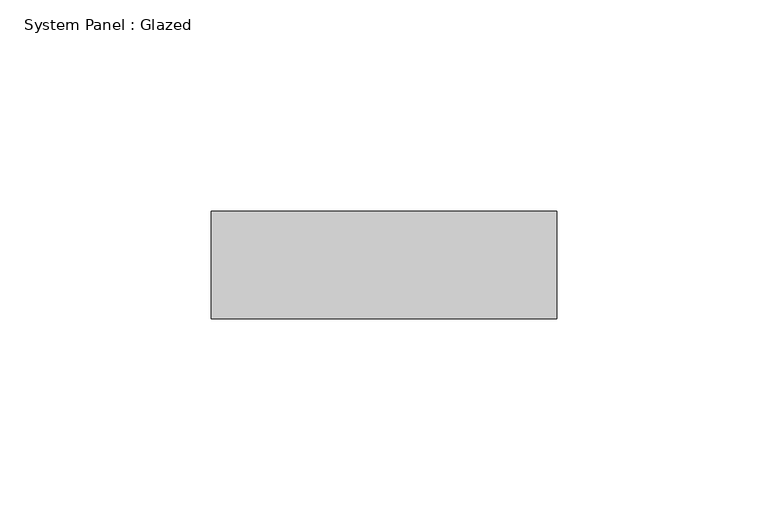
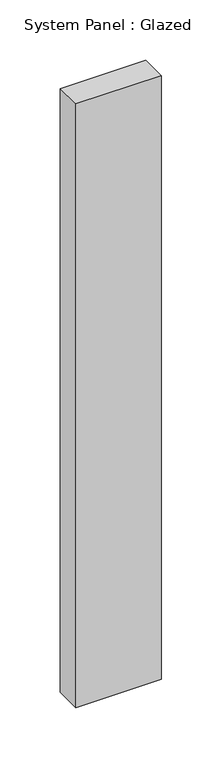
"""IFC4 building model written with IfcOpenShell, lengths in millimetres: plate geometry, System Panel : Glazed."""

from ifc_helpers import new_model, si_unit, origin, origin_with_axes, place, context, project, spatial, polyline, outline, extrude, source, transform, mapped, element, save


def system_panel_glazed_baedd0ea(model_context):
    return source(origin(), model_context, "Body", "SweptSolid", [
        extrude(outline(polyline([(40.8354568, 19.05), (-40.8354568, 19.05), (-40.8354568, 44.45), (40.8354568, 44.45), (40.8354568, 19.05)])), origin_with_axes(), (0.0, 0.0, 1.0), 609.6),
    ])


if __name__ == "__main__":
    model = new_model("IFC4")
    model_context = context("Model", 3, world=origin())
    ifc_project = project(units=[si_unit("LENGTHUNIT", "METRE", prefix="MILLI")], contexts=[model_context])
    site = spatial("IfcSite", under=ifc_project)
    building = spatial("IfcBuilding", under=site)
    placement = place(None, origin())
    system_panel_glazed_shape = system_panel_glazed_baedd0ea(model_context)
    element("IfcPlate", 1, ObjectType="System Panel : Glazed", at=placement, inside=building, context=model_context, shape_type="MappedRepresentation", body=[
        mapped(system_panel_glazed_shape, transform((0.0, 0.0, 0.0), x_axis=(1.0, 0.0, 0.0), y_axis=(0.0, 1.0, 0.0), z_axis=(0.0, 0.0, 1.0))),
    ])
    save(model, "model.ifc")
